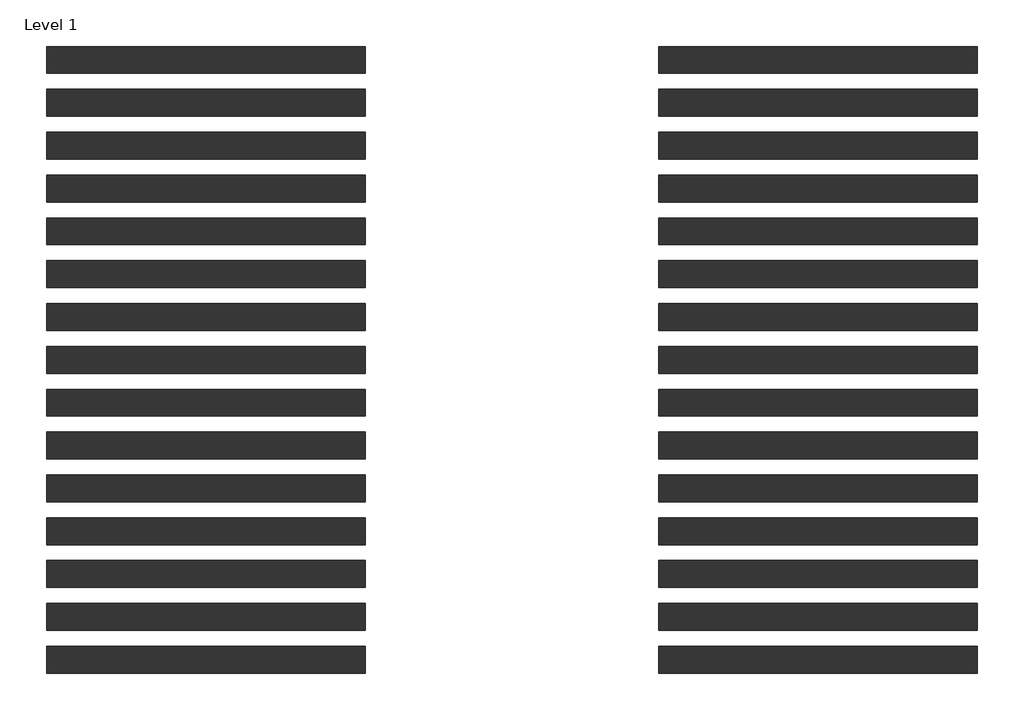
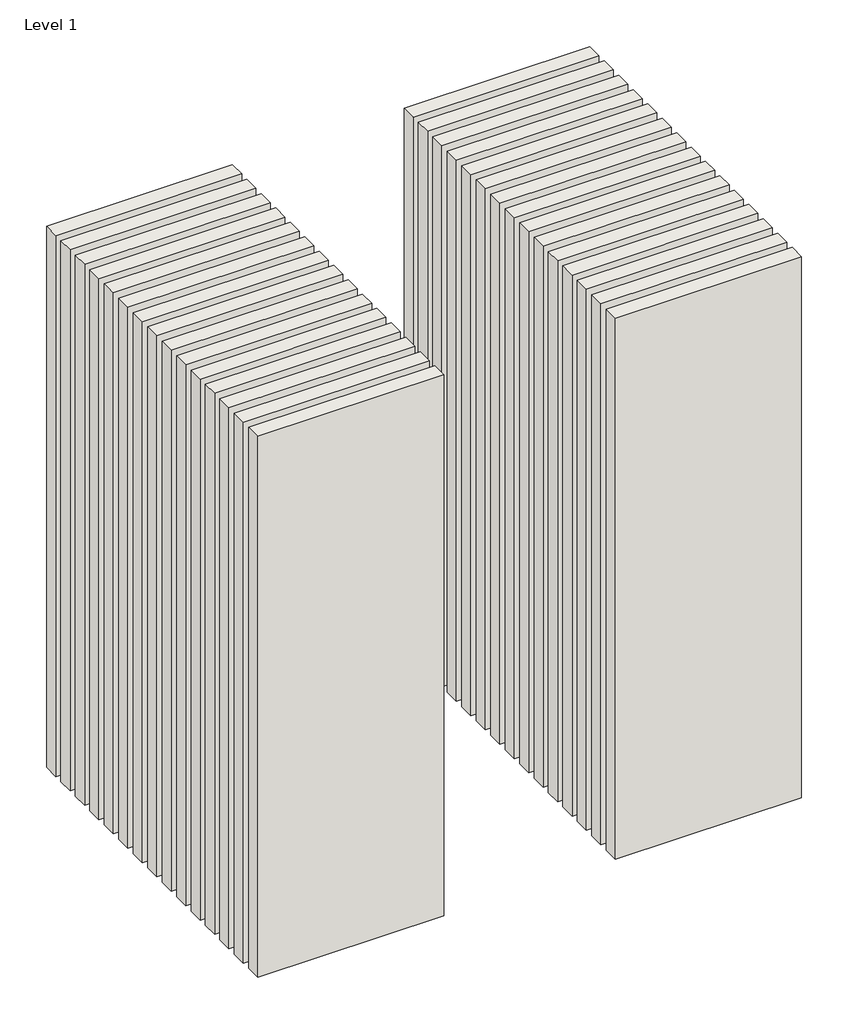
# One storey: 30 walls.
"""IFC4 building model written with IfcOpenShell, lengths in millimetres."""

from ifc_helpers import new_model, si_unit, origin, origin_with_axes, place, context, project, spatial, polyline, outline, extrude, element, save

model = new_model("IFC4")

# Units and contexts
model_context = context("Model", 3, world=origin())
ifc_project = project(units=[si_unit("LENGTHUNIT", "METRE", prefix="MILLI")], contexts=[model_context])

# Site, building, storey
site = spatial("IfcSite", under=ifc_project)
building = spatial("IfcBuilding", under=site)
storey = spatial("IfcBuildingStorey", under=building, Name="Level 1", Elevation=0.0)

# Walls
placement = place(None, origin())
element("IfcWall", 1, at=placement, inside=storey, context=model_context, shape_type="SweptSolid", body=[
    extrude(outline(polyline([(-16904.1464237, 3626.4042935), (-19504.1464237, 3626.4042935), (-19504.1464237, 3846.4042935), (-16904.1464237, 3846.4042935), (-16904.1464237, 3626.4042935)])), origin_with_axes(), (0.0, 0.0, 1.0), 8000.0),
])
element("IfcWall", 2, at=placement, inside=storey, context=model_context, shape_type="SweptSolid", body=[
    extrude(outline(polyline([(-16904.1464237, 3276.4042935), (-19504.1464237, 3276.4042935), (-19504.1464237, 3496.4042935), (-16904.1464237, 3496.4042935), (-16904.1464237, 3276.4042935)])), origin_with_axes(), (0.0, 0.0, 1.0), 8000.0),
])
element("IfcWall", 3, at=placement, inside=storey, context=model_context, shape_type="SweptSolid", body=[
    extrude(outline(polyline([(-16904.1464237, 2926.4042935), (-19504.1464237, 2926.4042935), (-19504.1464237, 3146.4042935), (-16904.1464237, 3146.4042935), (-16904.1464237, 2926.4042935)])), origin_with_axes(), (0.0, 0.0, 1.0), 8000.0),
])
element("IfcWall", 4, at=placement, inside=storey, context=model_context, shape_type="SweptSolid", body=[
    extrude(outline(polyline([(-16904.1464237, 2576.4042935), (-19504.1464237, 2576.4042935), (-19504.1464237, 2796.4042935), (-16904.1464237, 2796.4042935), (-16904.1464237, 2576.4042935)])), origin_with_axes(), (0.0, 0.0, 1.0), 8000.0),
])
element("IfcWall", 5, at=placement, inside=storey, context=model_context, shape_type="SweptSolid", body=[
    extrude(outline(polyline([(-16904.1464237, 2226.4042935), (-19504.1464237, 2226.4042935), (-19504.1464237, 2446.4042935), (-16904.1464237, 2446.4042935), (-16904.1464237, 2226.4042935)])), origin_with_axes(), (0.0, 0.0, 1.0), 8000.0),
])
element("IfcWall", 6, at=placement, inside=storey, context=model_context, shape_type="SweptSolid", body=[
    extrude(outline(polyline([(-16904.1464237, 1876.4042935), (-19504.1464237, 1876.4042935), (-19504.1464237, 2096.4042935), (-16904.1464237, 2096.4042935), (-16904.1464237, 1876.4042935)])), origin_with_axes(), (0.0, 0.0, 1.0), 8000.0),
])
element("IfcWall", 7, at=placement, inside=storey, context=model_context, shape_type="SweptSolid", body=[
    extrude(outline(polyline([(-16904.1464237, 1526.4042935), (-19504.1464237, 1526.4042935), (-19504.1464237, 1746.4042935), (-16904.1464237, 1746.4042935), (-16904.1464237, 1526.4042935)])), origin_with_axes(), (0.0, 0.0, 1.0), 8000.0),
])
element("IfcWall", 8, at=placement, inside=storey, context=model_context, shape_type="SweptSolid", body=[
    extrude(outline(polyline([(-16904.1464237, 1176.4042935), (-19504.1464237, 1176.4042935), (-19504.1464237, 1396.4042935), (-16904.1464237, 1396.4042935), (-16904.1464237, 1176.4042935)])), origin_with_axes(), (0.0, 0.0, 1.0), 8000.0),
])
element("IfcWall", 9, at=placement, inside=storey, context=model_context, shape_type="SweptSolid", body=[
    extrude(outline(polyline([(-16904.1464237, 826.4042935), (-19504.1464237, 826.4042935), (-19504.1464237, 1046.4042935), (-16904.1464237, 1046.4042935), (-16904.1464237, 826.4042935)])), origin_with_axes(), (0.0, 0.0, 1.0), 8000.0),
])
element("IfcWall", 10, at=placement, inside=storey, context=model_context, shape_type="SweptSolid", body=[
    extrude(outline(polyline([(-16904.1464237, 476.4042935), (-19504.1464237, 476.4042935), (-19504.1464237, 696.4042935), (-16904.1464237, 696.4042935), (-16904.1464237, 476.4042935)])), origin_with_axes(), (0.0, 0.0, 1.0), 8000.0),
])
element("IfcWall", 11, at=placement, inside=storey, context=model_context, shape_type="SweptSolid", body=[
    extrude(outline(polyline([(-16904.1464237, 126.4042935), (-19504.1464237, 126.4042935), (-19504.1464237, 346.4042935), (-16904.1464237, 346.4042935), (-16904.1464237, 126.4042935)])), origin_with_axes(), (0.0, 0.0, 1.0), 8000.0),
])
element("IfcWall", 12, at=placement, inside=storey, context=model_context, shape_type="SweptSolid", body=[
    extrude(outline(polyline([(-16904.1464237, -223.5957065), (-19504.1464237, -223.5957065), (-19504.1464237, -3.5957065), (-16904.1464237, -3.5957065), (-16904.1464237, -223.5957065)])), origin_with_axes(), (0.0, 0.0, 1.0), 8000.0),
])
element("IfcWall", 13, at=placement, inside=storey, context=model_context, shape_type="SweptSolid", body=[
    extrude(outline(polyline([(-16904.1464237, -573.5957065), (-19504.1464237, -573.5957065), (-19504.1464237, -353.5957065), (-16904.1464237, -353.5957065), (-16904.1464237, -573.5957065)])), origin_with_axes(), (0.0, 0.0, 1.0), 8000.0),
])
element("IfcWall", 14, at=placement, inside=storey, context=model_context, shape_type="SweptSolid", body=[
    extrude(outline(polyline([(-16904.1464237, -923.5957065), (-19504.1464237, -923.5957065), (-19504.1464237, -703.5957065), (-16904.1464237, -703.5957065), (-16904.1464237, -923.5957065)])), origin_with_axes(), (0.0, 0.0, 1.0), 8000.0),
])
element("IfcWall", 15, at=placement, inside=storey, context=model_context, shape_type="SweptSolid", body=[
    extrude(outline(polyline([(-16904.1464237, -1273.5957065), (-19504.1464237, -1273.5957065), (-19504.1464237, -1053.5957065), (-16904.1464237, -1053.5957065), (-16904.1464237, -1273.5957065)])), origin_with_axes(), (0.0, 0.0, 1.0), 8000.0),
])
element("IfcWall", 16, at=placement, inside=storey, context=model_context, shape_type="SweptSolid", body=[
    extrude(outline(polyline([(-11904.1464237, 3626.4042935), (-14504.1464237, 3626.4042935), (-14504.1464237, 3846.4042935), (-11904.1464237, 3846.4042935), (-11904.1464237, 3626.4042935)])), origin_with_axes(), (0.0, 0.0, 1.0), 8000.0),
])
element("IfcWall", 17, at=placement, inside=storey, context=model_context, shape_type="SweptSolid", body=[
    extrude(outline(polyline([(-11904.1464237, 3276.4042935), (-14504.1464237, 3276.4042935), (-14504.1464237, 3496.4042935), (-11904.1464237, 3496.4042935), (-11904.1464237, 3276.4042935)])), origin_with_axes(), (0.0, 0.0, 1.0), 8000.0),
])
element("IfcWall", 18, at=placement, inside=storey, context=model_context, shape_type="SweptSolid", body=[
    extrude(outline(polyline([(-11904.1464237, 2926.4042935), (-14504.1464237, 2926.4042935), (-14504.1464237, 3146.4042935), (-11904.1464237, 3146.4042935), (-11904.1464237, 2926.4042935)])), origin_with_axes(), (0.0, 0.0, 1.0), 8000.0),
])
element("IfcWall", 19, at=placement, inside=storey, context=model_context, shape_type="SweptSolid", body=[
    extrude(outline(polyline([(-11904.1464237, 2576.4042935), (-14504.1464237, 2576.4042935), (-14504.1464237, 2796.4042935), (-11904.1464237, 2796.4042935), (-11904.1464237, 2576.4042935)])), origin_with_axes(), (0.0, 0.0, 1.0), 8000.0),
])
element("IfcWall", 20, at=placement, inside=storey, context=model_context, shape_type="SweptSolid", body=[
    extrude(outline(polyline([(-11904.1464237, 2226.4042935), (-14504.1464237, 2226.4042935), (-14504.1464237, 2446.4042935), (-11904.1464237, 2446.4042935), (-11904.1464237, 2226.4042935)])), origin_with_axes(), (0.0, 0.0, 1.0), 8000.0),
])
element("IfcWall", 21, at=placement, inside=storey, context=model_context, shape_type="SweptSolid", body=[
    extrude(outline(polyline([(-11904.1464237, 1876.4042935), (-14504.1464237, 1876.4042935), (-14504.1464237, 2096.4042935), (-11904.1464237, 2096.4042935), (-11904.1464237, 1876.4042935)])), origin_with_axes(), (0.0, 0.0, 1.0), 8000.0),
])
element("IfcWall", 22, at=placement, inside=storey, context=model_context, shape_type="SweptSolid", body=[
    extrude(outline(polyline([(-11904.1464237, 1526.4042935), (-14504.1464237, 1526.4042935), (-14504.1464237, 1746.4042935), (-11904.1464237, 1746.4042935), (-11904.1464237, 1526.4042935)])), origin_with_axes(), (0.0, 0.0, 1.0), 8000.0),
])
element("IfcWall", 23, at=placement, inside=storey, context=model_context, shape_type="SweptSolid", body=[
    extrude(outline(polyline([(-11904.1464237, 1176.4042935), (-14504.1464237, 1176.4042935), (-14504.1464237, 1396.4042935), (-11904.1464237, 1396.4042935), (-11904.1464237, 1176.4042935)])), origin_with_axes(), (0.0, 0.0, 1.0), 8000.0),
])
element("IfcWall", 24, at=placement, inside=storey, context=model_context, shape_type="SweptSolid", body=[
    extrude(outline(polyline([(-11904.1464237, 826.4042935), (-14504.1464237, 826.4042935), (-14504.1464237, 1046.4042935), (-11904.1464237, 1046.4042935), (-11904.1464237, 826.4042935)])), origin_with_axes(), (0.0, 0.0, 1.0), 8000.0),
])
element("IfcWall", 25, at=placement, inside=storey, context=model_context, shape_type="SweptSolid", body=[
    extrude(outline(polyline([(-11904.1464237, 476.4042935), (-14504.1464237, 476.4042935), (-14504.1464237, 696.4042935), (-11904.1464237, 696.4042935), (-11904.1464237, 476.4042935)])), origin_with_axes(), (0.0, 0.0, 1.0), 8000.0),
])
element("IfcWall", 26, at=placement, inside=storey, context=model_context, shape_type="SweptSolid", body=[
    extrude(outline(polyline([(-11904.1464237, 126.4042935), (-14504.1464237, 126.4042935), (-14504.1464237, 346.4042935), (-11904.1464237, 346.4042935), (-11904.1464237, 126.4042935)])), origin_with_axes(), (0.0, 0.0, 1.0), 8000.0),
])
element("IfcWall", 27, at=placement, inside=storey, context=model_context, shape_type="SweptSolid", body=[
    extrude(outline(polyline([(-11904.1464237, -223.5957065), (-14504.1464237, -223.5957065), (-14504.1464237, -3.5957065), (-11904.1464237, -3.5957065), (-11904.1464237, -223.5957065)])), origin_with_axes(), (0.0, 0.0, 1.0), 8000.0),
])
element("IfcWall", 28, at=placement, inside=storey, context=model_context, shape_type="SweptSolid", body=[
    extrude(outline(polyline([(-11904.1464237, -573.5957065), (-14504.1464237, -573.5957065), (-14504.1464237, -353.5957065), (-11904.1464237, -353.5957065), (-11904.1464237, -573.5957065)])), origin_with_axes(), (0.0, 0.0, 1.0), 8000.0),
])
element("IfcWall", 29, at=placement, inside=storey, context=model_context, shape_type="SweptSolid", body=[
    extrude(outline(polyline([(-11904.1464237, -923.5957065), (-14504.1464237, -923.5957065), (-14504.1464237, -703.5957065), (-11904.1464237, -703.5957065), (-11904.1464237, -923.5957065)])), origin_with_axes(), (0.0, 0.0, 1.0), 8000.0),
])
element("IfcWall", 30, at=placement, inside=storey, context=model_context, shape_type="SweptSolid", body=[
    extrude(outline(polyline([(-11904.1464237, -1273.5957065), (-14504.1464237, -1273.5957065), (-14504.1464237, -1053.5957065), (-11904.1464237, -1053.5957065), (-11904.1464237, -1273.5957065)])), origin_with_axes(), (0.0, 0.0, 1.0), 8000.0),
])

save(model, "model.ifc")
